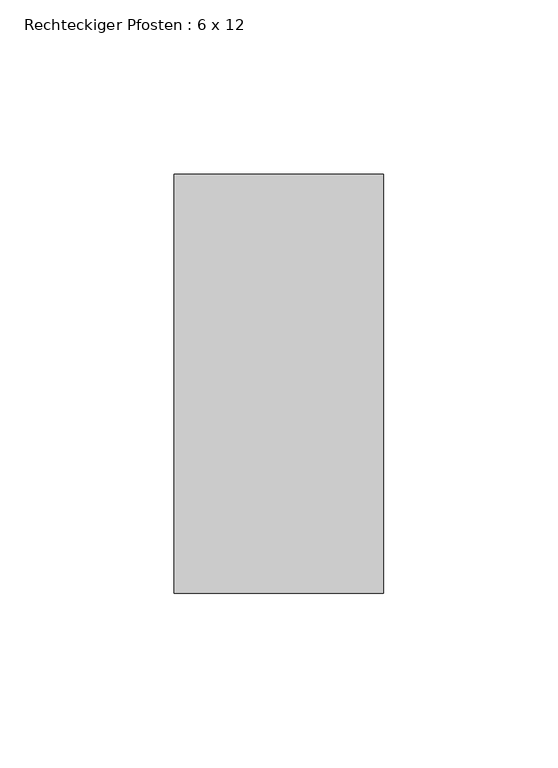
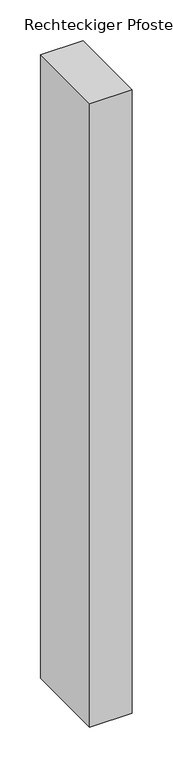
"""IFC4 building model written with IfcOpenShell, lengths in millimetres: member geometry, Rechteckiger Pfosten : 6 x 12."""

from ifc_helpers import new_model, si_unit, frame, origin, place, context, project, spatial, polyline, outline, extrude, source, transform, mapped, element, save


def rechteckiger_pfosten_6_x_12_6c8e5241(model_context):
    return source(origin(), model_context, "Body", "SweptSolid", [
        extrude(outline(polyline([(30.0, 60.0), (30.0, -60.0), (-30.0, -60.0), (-30.0, 60.0), (30.0, 60.0)])), frame((0.0, 0.0, -930.4166667), z_axis=(0.0, 0.0, 1.0), x_axis=(1.0, 0.0, 0.0)), (0.0, 0.0, 1.0), 930.4166667),
    ])


if __name__ == "__main__":
    model = new_model("IFC4")
    model_context = context("Model", 3, world=origin())
    ifc_project = project(units=[si_unit("LENGTHUNIT", "METRE", prefix="MILLI")], contexts=[model_context])
    site = spatial("IfcSite", under=ifc_project)
    building = spatial("IfcBuilding", under=site)
    placement = place(None, origin())
    rechteckiger_pfosten_6_x_12_shape = rechteckiger_pfosten_6_x_12_6c8e5241(model_context)
    element("IfcMember", 1, ObjectType="Rechteckiger Pfosten : 6 x 12", at=placement, inside=building, context=model_context, shape_type="MappedRepresentation", body=[
        mapped(rechteckiger_pfosten_6_x_12_shape, transform((0.0, 0.0, 0.0), x_axis=(1.0, 0.0, 0.0), y_axis=(0.0, 1.0, 0.0), z_axis=(0.0, 0.0, 1.0))),
    ])
    save(model, "model.ifc")
